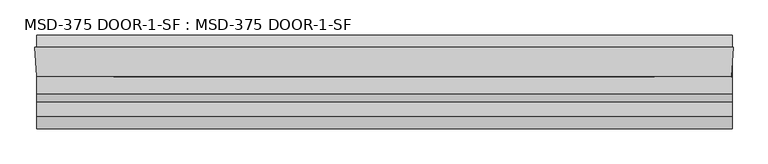
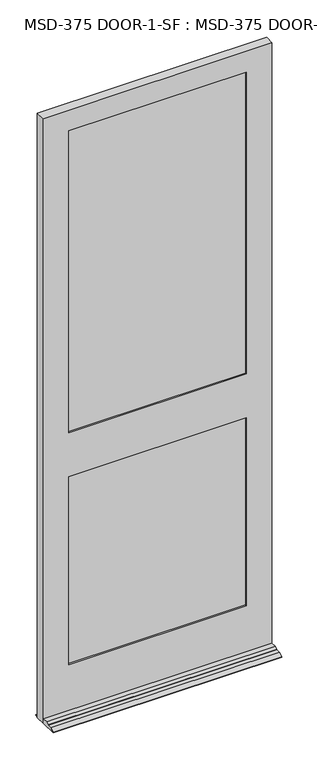
"""IFC4 building model written with IfcOpenShell, lengths in millimetres: plate geometry, MSD-375 DOOR-1-SF : MSD-375 DOOR-1-SF."""

from ifc_helpers import new_model, si_unit, frame, origin, place, context, project, spatial, polyline, outline, extrude, faceted_brep, source, transform, mapped, element, save


def msd_375_door_1_sf_msd_375_door_1_sf_1a210d17(model_context):
    return source(origin(), model_context, "Body", "SolidModel", [
        faceted_brep([(528.7563901, 1.8752528, 0.0), (530.1603327, 1.8752528, 0.0), (528.7563901, -20.6651106, 0.0), (528.7563901, -121.9497472, 0.0), (-533.8064, -121.9497472, 0.0), (-533.8064, -42.5747472, 0.0), (-536.575, 1.8752528, 0.0), (-533.8064, 1.8752528, 0.0), (-533.8064, 20.9252528, 0.0), (528.7563901, 20.9252528, 0.0), (528.7563901, -35.1325472, 226.2251), (528.7563901, -35.1325472, 246.0625), (528.7563901, -42.5747472, 246.0625), (528.7563901, -42.5747472, 21.4376), (528.7563901, -68.4446472, 21.4376), (528.7563901, -80.8652472, 14.2748), (528.7563901, -80.8652472, 12.7), (528.7563901, -102.8997472, 12.7), (528.7563901, -121.9497472, 3.175), (528.7563901, -20.6651106, 226.2251), (528.7563901, 20.9252528, 3.175), (528.7563901, 1.8752528, 12.7), (-533.8064, 1.8752528, 12.7), (-533.8064, 20.9252528, 3.175), (-533.8064, -121.9497472, 3.175), (-533.8064, -102.8997472, 12.7), (-533.8064, -80.8652472, 12.7), (-533.8064, -80.8652472, 14.2748), (-533.8064, -68.4446472, 21.4376), (-533.8064, -42.5747472, 21.4376), (530.1603327, 1.8752528, 2971.7168046), (-536.575, 1.8752528, 2971.7168046), (-415.925, 1.8752528, 1169.9748), (-415.925, 1.8752528, 246.0625), (409.5103327, 1.8752528, 246.0625), (409.5103327, 1.8752528, 1169.9748), (409.5103327, 1.8752528, 2870.1168046), (-415.925, 1.8752528, 2870.1168046), (-415.925, 1.8752528, 1385.8748), (409.5103327, 1.8752528, 1385.8748), (409.5103327, -9.7325472, 2870.1168046), (-415.925, -9.7325472, 2870.1168046), (429.3477327, -9.7325472, 1189.8249), (-435.7624, -9.7325472, 1189.8249), (-435.7624, -9.7325472, 226.2251), (429.3477327, -9.7325472, 226.2251), (-415.925, -9.7325472, 1169.9748), (409.5103327, -9.7325472, 1169.9748), (409.5103327, -9.7325472, 246.0625), (-415.925, -9.7325472, 246.0625), (429.3477327, -9.7325472, 2890.0374), (-435.7624, -9.7325472, 2890.0374), (-435.7624, -9.7325472, 1366.0374), (429.3477327, -9.7325472, 1366.0374), (409.5103327, -9.7325472, 1385.8748), (-415.925, -9.7325472, 1385.8748), (429.3477327, -35.1325472, 2890.0374), (-435.7624, -35.1325472, 2890.0374), (527.8552755, -35.1325472, 226.2251), (527.8552755, -35.1325472, 246.0625), (-435.7624, -35.1325472, 1189.8249), (429.3477327, -35.1325472, 1189.8249), (429.3477327, -35.1325472, 226.2251), (-435.7624, -35.1325472, 226.2251), (409.5103327, -35.1325472, 1169.9748), (-415.925, -35.1325472, 1169.9748), (-415.925, -35.1325472, 246.0625), (409.5103327, -35.1325472, 246.0625), (429.3477327, -35.1325472, 1366.0374), (-435.7624, -35.1325472, 1366.0374), (409.5103327, -35.1325472, 2870.1168046), (-415.925, -35.1325472, 2870.1168046), (-415.925, -35.1325472, 1385.8748), (409.5103327, -35.1325472, 1385.8748), (409.5103327, -42.5747472, 2870.1168046), (-415.925, -42.5747472, 2870.1168046), (527.3917327, -42.5747472, 2971.7168046), (-533.8064, -42.5747472, 2971.7168046), (527.3917327, -42.5747472, 246.0625), (409.5103327, -42.5747472, 1169.9748), (409.5103327, -42.5747472, 246.0625), (-415.925, -42.5747472, 246.0625), (-415.925, -42.5747472, 1169.9748), (409.5103327, -42.5747472, 1385.8748), (-415.925, -42.5747472, 1385.8748)], [[[0, 1, 2, 3, 4, 5, 6, 7, 8, 9]], [[10, 11, 12, 13, 14, 15, 16, 17, 18, 3, 2, 19]], [[9, 20, 21, 0]], [[22, 23, 8, 7]], [[4, 24, 25, 26, 27, 28, 29, 5]], [[30, 1, 0, 21, 22, 7, 6, 31], [32, 33, 34, 35], [36, 37, 38, 39]], [[36, 40, 41, 37]], [[42, 43, 44, 45], [46, 47, 48, 49]], [[50, 51, 52, 53], [41, 40, 54, 55]], [[50, 56, 57, 51]], [[11, 10, 58, 59]], [[60, 61, 62, 63], [64, 65, 66, 67]], [[57, 56, 68, 69], [70, 71, 72, 73]], [[70, 74, 75, 71]], [[76, 77, 29, 13, 12, 78], [79, 80, 81, 82], [75, 74, 83, 84]], [[76, 30, 31, 77]], [[56, 50, 53, 68]], [[62, 61, 42, 45]], [[74, 70, 73, 83]], [[79, 64, 67, 80]], [[30, 76, 78, 59, 58, 19, 2, 1]], [[40, 36, 39, 54]], [[47, 35, 34, 48]], [[29, 77, 31, 6, 5]], [[71, 75, 84, 72]], [[65, 82, 81, 66]], [[44, 43, 60, 63]], [[51, 57, 69, 52]], [[37, 41, 55, 38]], [[32, 46, 49, 33]], [[39, 38, 55, 54]], [[68, 53, 52, 69]], [[73, 72, 84, 83]], [[65, 64, 79, 82]], [[42, 61, 60, 43]], [[32, 35, 47, 46]], [[10, 19, 58]], [[63, 62, 45, 44]], [[12, 11, 59, 78]], [[67, 66, 81, 80]], [[14, 13, 29, 28]], [[15, 14, 28, 27]], [[16, 15, 27, 26]], [[17, 16, 26, 25]], [[18, 17, 25, 24]], [[3, 18, 24, 4]], [[20, 9, 8, 23]], [[22, 21, 20, 23]], [[34, 33, 49, 48]]]),
        extrude(outline(polyline([(-433.8662802, -9.7325472), (428.7338756, -9.7325472), (428.7338756, -14.8125472), (-433.8662802, -14.8125472), (-433.8662802, -9.7325472)])), frame((0.0, 0.0, 1366.0374), z_axis=(0.0, 0.0, 1.0), x_axis=(1.0, 0.0, 0.0)), (0.0, 0.0, 1.0), 1524.0),
        extrude(outline(polyline([(428.7338756, -24.2105472), (428.7338756, -29.2905472), (-433.8662802, -29.2905472), (-433.8662802, -24.2105472), (428.7338756, -24.2105472)])), frame((0.0, 0.0, 1366.0374), z_axis=(0.0, 0.0, 1.0), x_axis=(1.0, 0.0, 0.0)), (0.0, 0.0, 1.0), 1524.0),
        extrude(outline(polyline([(-433.8662802, -30.0525472), (428.7338756, -30.0525472), (428.7338756, -35.1325472), (-433.8662802, -35.1325472), (-433.8662802, -30.0525472)])), frame((0.0, 0.0, 1366.0374), z_axis=(0.0, 0.0, 1.0), x_axis=(1.0, 0.0, 0.0)), (0.0, 0.0, 1.0), 1524.0),
        extrude(outline(polyline([(-435.7624, -9.7325472), (429.3477327, -9.7325472), (429.3477327, -14.8125472), (-435.7624, -14.8125472), (-435.7624, -9.7325472)])), frame((0.0, 0.0, 226.21875), z_axis=(0.0, 0.0, 1.0), x_axis=(1.0, 0.0, 0.0)), (0.0, 0.0, 1.0), 963.60615),
        extrude(outline(polyline([(429.3477327, -24.2105472), (429.3477327, -29.2905472), (-435.7624, -29.2905472), (-435.7624, -24.2105472), (429.3477327, -24.2105472)])), frame((0.0, 0.0, 226.21875), z_axis=(0.0, 0.0, 1.0), x_axis=(1.0, 0.0, 0.0)), (0.0, 0.0, 1.0), 963.60615),
        extrude(outline(polyline([(-435.7624, -30.0525472), (429.3477327, -30.0525472), (429.3477327, -35.1325472), (-435.7624, -35.1325472), (-435.7624, -30.0525472)])), frame((0.0, 0.0, 226.21875), z_axis=(0.0, 0.0, 1.0), x_axis=(1.0, 0.0, 0.0)), (0.0, 0.0, 1.0), 963.60615),
    ])


if __name__ == "__main__":
    model = new_model("IFC4")
    model_context = context("Model", 3, world=origin())
    ifc_project = project(units=[si_unit("LENGTHUNIT", "METRE", prefix="MILLI")], contexts=[model_context])
    site = spatial("IfcSite", under=ifc_project)
    building = spatial("IfcBuilding", under=site)
    placement = place(None, origin())
    msd_375_door_1_sf_msd_375_door_1_sf_shape = msd_375_door_1_sf_msd_375_door_1_sf_1a210d17(model_context)
    element("IfcPlate", 1, ObjectType="MSD-375 DOOR-1-SF : MSD-375 DOOR-1-SF", at=placement, inside=building, context=model_context, shape_type="MappedRepresentation", body=[
        mapped(msd_375_door_1_sf_msd_375_door_1_sf_shape, transform((0.0, 0.0, 0.0), x_axis=(1.0, 0.0, 0.0), y_axis=(0.0, 1.0, 0.0), z_axis=(0.0, 0.0, 1.0))),
    ])
    save(model, "model.ifc")
